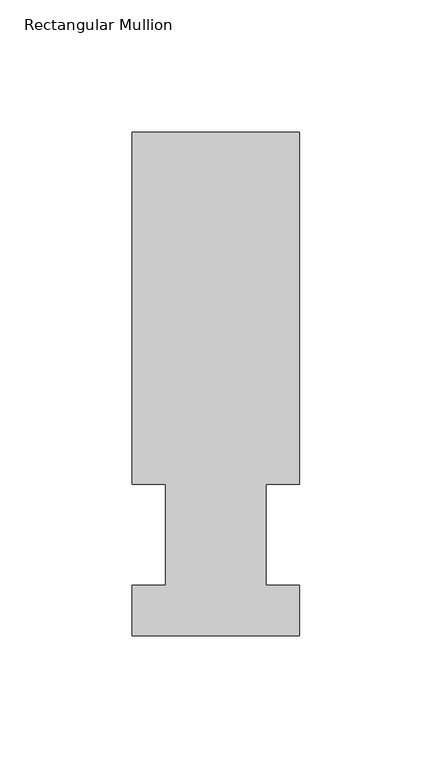
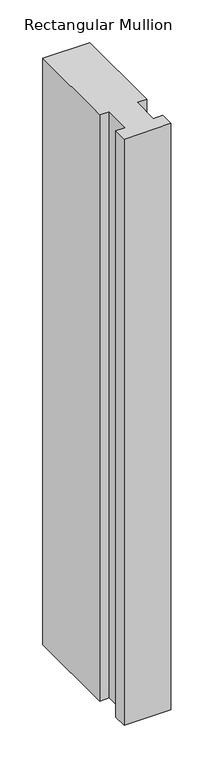
"""IFC4 building model written with IfcOpenShell, lengths in millimetres: member geometry, Rectangular Mullion."""

from ifc_helpers import new_model, si_unit, frame, origin, place, context, project, spatial, polyline, outline, extrude, source, transform, mapped, element, save


def rectangular_mullion_8099b7e1(model_context):
    return source(origin(), model_context, "Body", "SweptSolid", [
        extrude(outline(polyline([(31.75, 57.15), (19.05, 57.15), (19.05, 19.0500001), (31.7500005, 19.0500001), (31.7500005, -0.0137626), (-31.7499995, -0.0137626), (-31.7499995, 19.0500001), (-19.0500001, 19.0500001), (-19.0500001, 57.15), (-31.75, 57.15), (-31.75, 190.5000001), (31.75, 190.5000001), (31.75, 57.15)])), frame((0.0, 0.0, -838.2), z_axis=(0.0, 0.0, 1.0), x_axis=(1.0, 0.0, 0.0)), (0.0, 0.0, 1.0), 838.2),
    ])


if __name__ == "__main__":
    model = new_model("IFC4")
    model_context = context("Model", 3, world=origin())
    ifc_project = project(units=[si_unit("LENGTHUNIT", "METRE", prefix="MILLI")], contexts=[model_context])
    site = spatial("IfcSite", under=ifc_project)
    building = spatial("IfcBuilding", under=site)
    placement = place(None, origin())
    rectangular_mullion_shape = rectangular_mullion_8099b7e1(model_context)
    element("IfcMember", 1, ObjectType="Rectangular Mullion", at=placement, inside=building, context=model_context, shape_type="MappedRepresentation", body=[
        mapped(rectangular_mullion_shape, transform((0.0, 0.0, 0.0), x_axis=(1.0, 0.0, 0.0), y_axis=(0.0, 1.0, 0.0), z_axis=(0.0, 0.0, 1.0))),
    ])
    save(model, "model.ifc")
